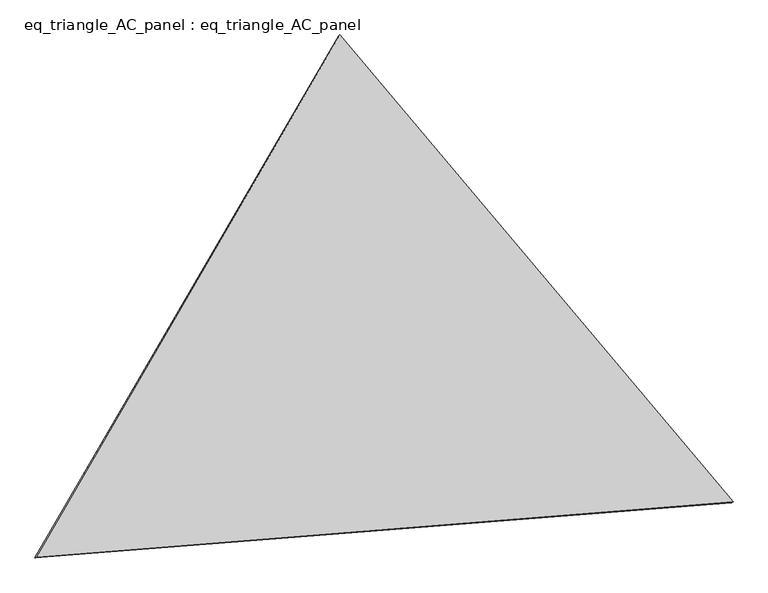
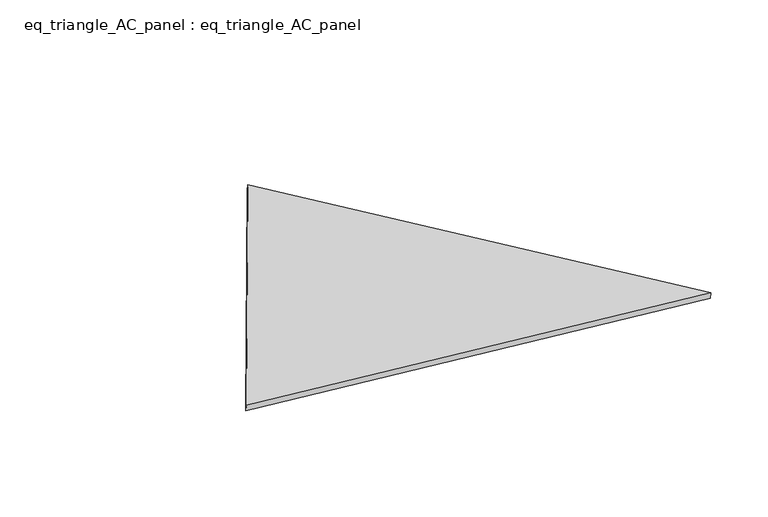
"""IFC4 building model written with IfcOpenShell, lengths in millimetres: proxy geometry, eq_triangle_AC_panel : eq_triangle_AC_panel."""

from ifc_helpers import new_model, si_unit, frame, origin, place, context, project, spatial, polyline, outline, extrude, source, transform, mapped, element, save


def eq_triangle_ac_panel_eq_triangle_ac_panel_c8997d4d(model_context):
    return source(origin(), model_context, "Body", "SweptSolid", [
        extrude(outline(polyline([(-1545.5417544, 1096.950005), (1940.6131338, 1096.950005), (-395.0713796, -2193.90001), (-1545.5417544, 1096.950005)])), frame((0.0038051, 527.9290861, 89.8240019), z_axis=(0.1452632851805744, 0.08386570281802151, 0.9858321976225906), x_axis=(0.64339566847696, -0.7649563245264834, -0.029729368510269538)), (0.0, 0.0, 1.0), 43.8306294),
    ])


if __name__ == "__main__":
    model = new_model("IFC4")
    model_context = context("Model", 3, world=origin())
    ifc_project = project(units=[si_unit("LENGTHUNIT", "METRE", prefix="MILLI")], contexts=[model_context])
    site = spatial("IfcSite", under=ifc_project)
    building = spatial("IfcBuilding", under=site)
    placement = place(None, origin())
    eq_triangle_ac_panel_eq_triangle_ac_panel_shape = eq_triangle_ac_panel_eq_triangle_ac_panel_c8997d4d(model_context)
    element("IfcBuildingElementProxy", 1, Name="eq_triangle_AC_panel : eq_triangle_AC_panel", ObjectType="eq_triangle_AC_panel : eq_triangle_AC_panel", at=placement, inside=building, context=model_context, shape_type="MappedRepresentation", body=[
        mapped(eq_triangle_ac_panel_eq_triangle_ac_panel_shape, transform((0.0, 0.0, 0.0), x_axis=(1.0, 0.0, 0.0), y_axis=(0.0, 1.0, 0.0), z_axis=(0.0, 0.0, 1.0))),
    ])
    save(model, "model.ifc")
